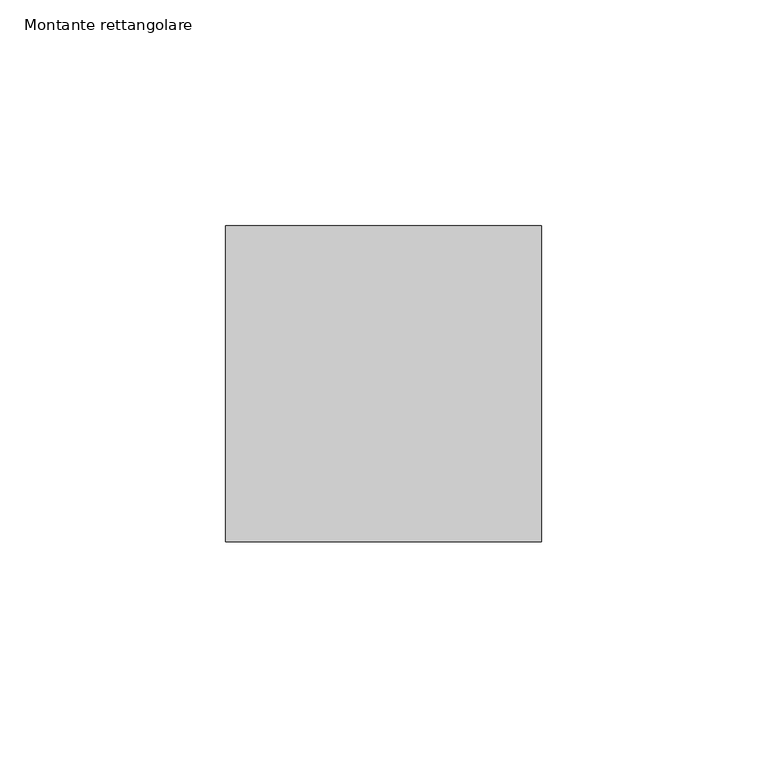
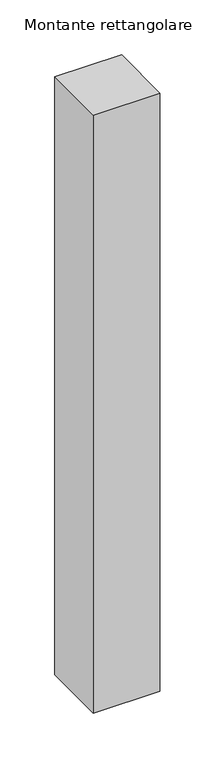
"""IFC4 building model written with IfcOpenShell, lengths in millimetres: member geometry, Montante rettangolare."""

from ifc_helpers import new_model, si_unit, frame, origin, place, context, project, spatial, polyline, outline, extrude, source, transform, mapped, element, save


def montante_rettangolare_1c3d652f(model_context):
    return source(origin(), model_context, "Body", "SweptSolid", [
        extrude(outline(polyline([(0.0, 35.0), (0.0, -35.0), (-70.0, -35.0), (-70.0, 35.0), (0.0, 35.0)])), frame((0.0, 0.0, -664.3835829), z_axis=(0.0, 0.0, 1.0), x_axis=(1.0, 0.0, 0.0)), (0.0, 0.0, 1.0), 664.3835829),
    ])


if __name__ == "__main__":
    model = new_model("IFC4")
    model_context = context("Model", 3, world=origin())
    ifc_project = project(units=[si_unit("LENGTHUNIT", "METRE", prefix="MILLI")], contexts=[model_context])
    site = spatial("IfcSite", under=ifc_project)
    building = spatial("IfcBuilding", under=site)
    placement = place(None, origin())
    montante_rettangolare_shape = montante_rettangolare_1c3d652f(model_context)
    element("IfcMember", 1, ObjectType="Montante rettangolare", at=placement, inside=building, context=model_context, shape_type="MappedRepresentation", body=[
        mapped(montante_rettangolare_shape, transform((0.0, 0.0, 0.0), x_axis=(1.0, 0.0, 0.0), y_axis=(0.0, 1.0, 0.0), z_axis=(0.0, 0.0, 1.0))),
    ])
    save(model, "model.ifc")
